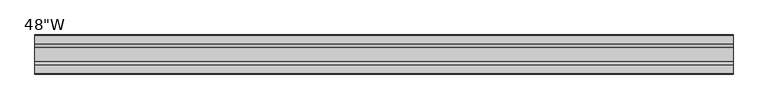
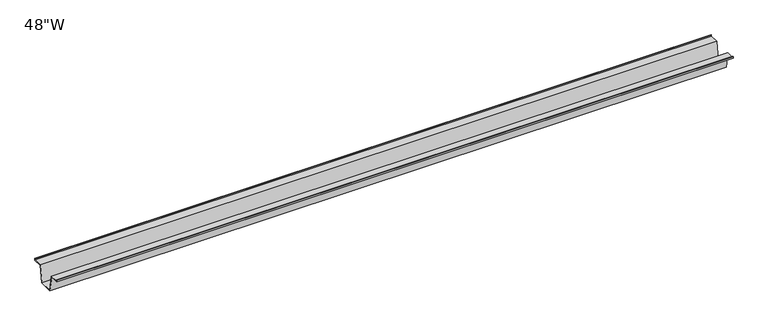
"""IFC4 building model written with IfcOpenShell, lengths in millimetres: furniture geometry."""

from ifc_helpers import new_model, si_unit, frame, origin, place, context, project, spatial, polyline, outline, extrude, source, transform, mapped, element, save


def furniture_7bebf22a(model_context):
    return source(origin(), model_context, "Body", "SweptSolid", [
        extrude(outline(polyline([(-22.9397721, 949.325), (-28.502372, 919.0990007), (-53.9023728, 919.0990007), (-59.4649727, 949.325), (-75.3653716, 949.325), (-75.3653716, 952.5), (-74.5716216, 952.5), (-74.5716216, 950.11875), (-58.8172994, 950.11875), (-53.2546995, 919.8927507), (-29.1500453, 919.8927507), (-23.5874454, 950.11875), (-7.8331232, 950.11875), (-7.8331232, 952.5), (-7.0393732, 952.5), (-7.0393732, 949.325), (-22.9397721, 949.325)])), frame((-609.6, 0.0, 0.0), z_axis=(1.0, 0.0, 0.0), x_axis=(0.0, 1.0, 0.0)), (0.0, 0.0, 1.0), 1219.2),
    ])


if __name__ == "__main__":
    model = new_model("IFC4")
    model_context = context("Model", 3, world=origin())
    ifc_project = project(units=[si_unit("LENGTHUNIT", "METRE", prefix="MILLI")], contexts=[model_context])
    site = spatial("IfcSite", under=ifc_project)
    building = spatial("IfcBuilding", under=site)
    placement = place(None, origin())
    furniture_shape = furniture_7bebf22a(model_context)
    element("IfcFurniture", 1, ObjectType="48\"W", at=placement, inside=building, context=model_context, shape_type="MappedRepresentation", body=[
        mapped(furniture_shape, transform((0.0, 0.0, 0.0), x_axis=(1.0, 0.0, 0.0), y_axis=(0.0, 1.0, 0.0), z_axis=(0.0, 0.0, 1.0))),
    ])
    save(model, "model.ifc")
